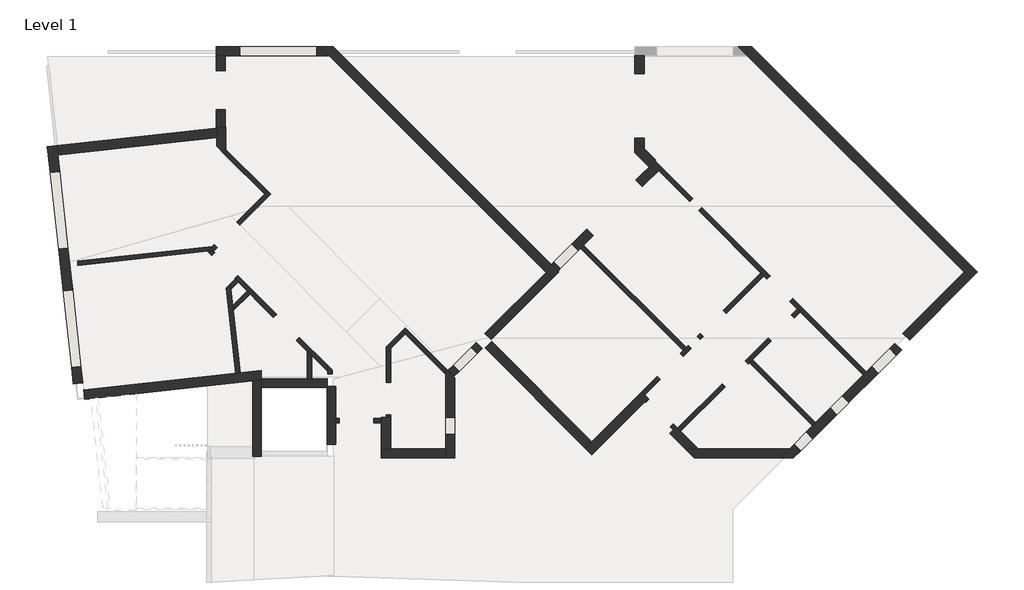
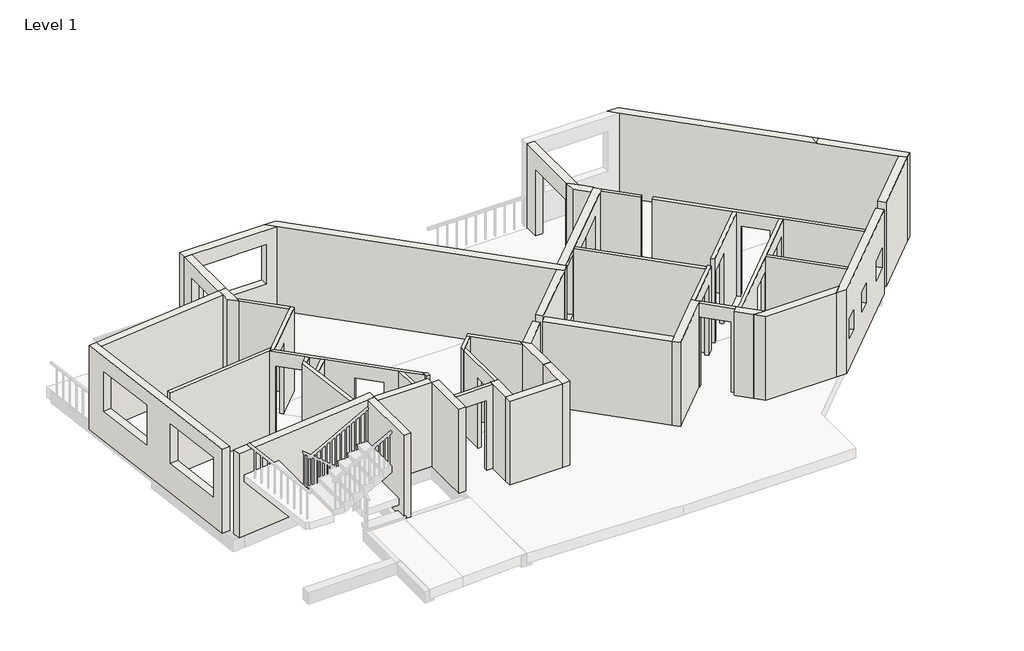
# One storey, part 1 of 3: 47 walls.
"""IFC4 building model written with IfcOpenShell, lengths in millimetres."""

from ifc_helpers import new_model, si_unit, frame, origin, place, context, project, spatial, polyline, outline, extrude, faceted_brep, element, save

model = new_model("IFC4")

# Units and contexts
model_context = context("Model", 3, world=origin())
ifc_project = project(units=[si_unit("LENGTHUNIT", "METRE", prefix="MILLI")], contexts=[model_context])

# Site, building, storey
site = spatial("IfcSite", under=ifc_project)
building = spatial("IfcBuilding", under=site)
storey = spatial("IfcBuildingStorey", under=building, Name="Level 1", Elevation=1400.0)

# Walls
placement = place(None, origin())
element("IfcWall", 1, ObjectType="Generic - 100mm 2", at=placement, inside=storey, context=model_context, shape_type="Brep", body=[
    faceted_brep([(9297.1083101, -7295.310753, 1400.0), (8344.8432612, -6343.045704, 1400.0), (8344.8432612, -6343.045704, 3950.0), (9297.1083101, -7295.310753, 3950.0), (9297.1083101, -7436.7321093, 1400.0), (9297.1083101, -7436.7321093, 3950.0), (8344.8432612, -6484.4670603, 3950.0), (8274.132583, -6413.7563821, 3950.0), (8274.132583, -6413.7563821, 1400.0), (8344.8432612, -6484.4670603, 1400.0)], [[[0, 1, 2, 3]], [[4, 5, 6, 7, 8, 9]], [[1, 0, 4, 9, 8]], [[3, 2, 7, 6, 5]], [[0, 3, 5, 4]], [[2, 1, 8, 7]]]),
])
element("IfcWall", 2, ObjectType="Generic - 100mm 2", at=placement, inside=storey, context=model_context, shape_type="Brep", body=[
    faceted_brep([(8274.132583, -6413.7563821, 1400.0), (7902.0578038, -6785.8311614, 1400.0), (7902.0578038, -6785.8311614, 3950.0), (8274.132583, -6413.7563821, 3950.0), (8344.8432612, -6484.4670603, 1400.0), (8344.8432612, -6484.4670603, 3950.0), (8002.0578038, -6827.2525176, 3950.0), (7902.0578038, -6927.2525176, 3950.0), (7902.0578038, -6927.2525176, 1400.0), (8002.0578038, -6827.2525176, 1400.0)], [[[0, 1, 2, 3]], [[4, 5, 6, 7, 8, 9]], [[1, 0, 4, 9, 8]], [[3, 2, 7, 6, 5]], [[0, 3, 5, 4]], [[2, 1, 8, 7]]]),
])
element("IfcWall", 3, ObjectType="Generic - 100mm 2", at=placement, inside=storey, context=model_context, shape_type="Brep", body=[
    faceted_brep([(7902.0578038, -8390.4135995, 3534.0), (7902.0578038, -8390.4135995, 1400.0), (7902.0578038, -8450.4135995, 1400.0), (7902.0578038, -8450.4135995, 3950.0), (7902.0578038, -6927.2525176, 3950.0), (7902.0578038, -6927.2525176, 1400.0), (7902.0578038, -7628.4135995, 1400.0), (7902.0578038, -7628.4135995, 3534.0), (8002.0578038, -8450.4135995, 1400.0), (8002.0578038, -8390.4135995, 1400.0), (8002.0578038, -8390.4135995, 3534.0), (8002.0578038, -7628.4135995, 3534.0), (8002.0578038, -7628.4135995, 1400.0), (8002.0578038, -6827.2525176, 1400.0), (8002.0578038, -6827.2525176, 3950.0), (8002.0578038, -8450.4135995, 3950.0)], [[[0, 1, 2, 3, 4, 5, 6, 7]], [[8, 9, 10, 11, 12, 13, 14, 15]], [[6, 5, 13, 12]], [[2, 1, 9, 8]], [[3, 2, 8, 15]], [[4, 3, 15, 14]], [[5, 4, 14, 13]], [[12, 11, 7, 6]], [[10, 9, 1, 0]], [[11, 10, 0, 7]]]),
])
element("IfcWall", 4, ObjectType="Generic - 100mm 2", at=placement, inside=storey, context=model_context, shape_type="Brep", body=[
    faceted_brep([(4463.6501436, -3919.476686, 3534.0), (4463.6501436, -3919.476686, 1400.0), (5184.8990604, -3198.2277691, 1400.0), (5184.8990604, -3198.2277691, 3950.0), (3862.5779702, -4520.5488594, 3950.0), (3862.5779702, -4520.5488594, 1400.0), (3924.8347764, -4458.2920532, 1400.0), (3924.8347764, -4458.2920532, 3534.0), (5114.1883823, -3127.517091, 1400.0), (5043.4777042, -3198.2277691, 1400.0), (4392.9394655, -3848.7660078, 1400.0), (4392.9394655, -3848.7660078, 3534.0), (3854.1240982, -4387.5813751, 3534.0), (3854.1240982, -4387.5813751, 1400.0), (3816.7212432, -4424.9842301, 1400.0), (3703.7066395, -4537.9988339, 1400.0), (3703.7066395, -4537.9988339, 3950.0), (3816.7212432, -4424.9842301, 3950.0), (5043.4777042, -3198.2277691, 3950.0), (5114.1883823, -3127.517091, 3950.0), (3824.4069755, -4524.7414527, 1400.0), (3824.4069755, -4524.7414527, 3950.0)], [[[0, 1, 2, 3, 4, 5, 6, 7]], [[8, 9, 10, 11, 12, 13, 14, 15, 16, 17, 18, 19]], [[6, 5, 20, 15, 14, 13]], [[2, 1, 10, 9, 8]], [[4, 3, 19, 18, 17, 16, 21]], [[3, 2, 8, 19]], [[5, 4, 21, 16, 15, 20]], [[13, 12, 7, 6]], [[11, 10, 1, 0]], [[12, 11, 0, 7]]]),
])
element("IfcWall", 5, ObjectType="Generic - 100mm 2", at=placement, inside=storey, context=model_context, shape_type="SweptSolid", body=[
    extrude(outline(polyline([(4135.2439393, -2148.572648), (5114.1883823, -3127.517091), (5043.4777042, -3198.2277691), (4135.2439393, -2289.9940042), (4135.2439393, -2148.572648)])), frame((0.0, 0.0, 1400.0), z_axis=(0.0, 0.0, 1.0), x_axis=(1.0, 0.0, 0.0)), (0.0, 0.0, 1.0), 2550.0),
])
element("IfcWall", 6, ObjectType="Generic - 100mm 2", at=placement, inside=storey, context=model_context, shape_type="Brep", body=[
    faceted_brep([(4464.964712, -7402.0054816, 1400.0), (4304.2548789, -5938.8408743, 1400.0), (4290.2588445, -5811.4155525, 1400.0), (4249.5399575, -5440.6950237, 1400.0), (4235.5439231, -5313.2697019, 1400.0), (4235.5439231, -5313.2697019, 3950.0), (4249.5399575, -5440.6950237, 3950.0), (4290.2588445, -5811.4155525, 3950.0), (4304.2548789, -5938.8408743, 3950.0), (4464.964712, -7402.0054816, 3950.0), (4365.5625184, -7412.9235354, 1400.0), (4365.5625184, -7412.9235354, 3950.0), (4144.8987312, -5403.9148938, 3950.0), (4144.8987312, -5403.9148938, 1400.0)], [[[0, 1, 2, 3, 4, 5, 6, 7, 8, 9]], [[10, 11, 12, 13]], [[4, 3, 2, 1, 0, 10, 13]], [[9, 8, 7, 6, 5, 12, 11]], [[0, 9, 11, 10]], [[5, 4, 13, 12]]]),
])
element("IfcWall", 7, ObjectType="Generic - 100mm 2", at=placement, inside=storey, context=model_context, shape_type="SweptSolid", body=[
    extrude(outline(polyline([(4424.2395739, -5265.9954073), (4249.5399575, -5440.6950237), (4235.5439231, -5313.2697019), (4353.5288957, -5195.2847292), (4424.2395739, -5265.9954073)])), frame((0.0, 0.0, 1400.0), z_axis=(0.0, 0.0, 1.0), x_axis=(1.0, 0.0, 0.0)), (0.0, 0.0, 1.0), 2550.0),
])
element("IfcWall", 8, ObjectType="Generic - 100mm 2", at=placement, inside=storey, context=model_context, shape_type="Brep", body=[
    faceted_brep([(4339.3867601, -5181.1425936, 1400.0), (4353.5288957, -5195.2847292, 1400.0), (4424.2395739, -5265.9954073, 1400.0), (4629.9592818, -5471.7151152, 1400.0), (4700.6699599, -5542.4257933, 1400.0), (5252.2132492, -6093.9690827, 1400.0), (5252.2132492, -6093.9690827, 3534.0), (5791.0286165, -6632.7844499, 3534.0), (5791.0286165, -6632.7844499, 1400.0), (6046.6810379, -6888.4368714, 1400.0), (6146.6810379, -6988.4368714, 1400.0), (6530.0027398, -7371.7585732, 1400.0), (6530.0027398, -7371.7585732, 3950.0), (6146.6810379, -6988.4368714, 3950.0), (6046.6810379, -6888.4368714, 3950.0), (4700.6699599, -5542.4257933, 3950.0), (4629.9592818, -5471.7151152, 3950.0), (4424.2395739, -5265.9954073, 3950.0), (4353.5288957, -5195.2847292, 3950.0), (3696.9816537, -4538.7374872, 3950.0), (3696.9816537, -4538.7374872, 1400.0), (3800.5713929, -4642.3272263, 1400.0), (3800.5713929, -4642.3272263, 3534.0), (4339.3867601, -5181.1425936, 3534.0), (5322.9239273, -6023.2584045, 3534.0), (5322.9239273, -6023.2584045, 1400.0), (4410.0974382, -5110.4319155, 1400.0), (4410.0974382, -5110.4319155, 3534.0), (3871.282071, -4571.6165482, 3534.0), (3871.282071, -4571.6165482, 1400.0), (3824.4069755, -4524.7414527, 1400.0), (3824.4069755, -4524.7414527, 3950.0), (6530.0027398, -7230.337217, 3950.0), (6530.0027398, -7230.337217, 1400.0), (5861.7392946, -6562.0737718, 1400.0), (5861.7392946, -6562.0737718, 3534.0), (3703.7066395, -4537.9988339, 1400.0), (3703.7066395, -4537.9988339, 3950.0)], [[[0, 1, 2, 3, 4, 5, 6, 7, 8, 9, 10, 11, 12, 13, 14, 15, 16, 17, 18, 19, 20, 21, 22, 23]], [[24, 25, 26, 27, 28, 29, 30, 31, 32, 33, 34, 35]], [[30, 29, 21, 20, 36]], [[34, 33, 11, 10, 9, 8]], [[26, 25, 5, 4, 3, 2, 1, 0]], [[19, 18, 17, 16, 15, 14, 13, 12, 32, 31, 37]], [[20, 19, 37, 31, 30, 36]], [[12, 11, 33, 32]], [[0, 23, 27, 26]], [[22, 21, 29, 28]], [[23, 22, 28, 27]], [[8, 7, 35, 34]], [[6, 5, 25, 24]], [[7, 6, 24, 35]]]),
])
element("IfcWall", 9, ObjectType="Generic - 100mm 2", at=placement, inside=storey, context=model_context, shape_type="SweptSolid", body=[
    extrude(outline(polyline([(4290.2588445, -5811.4155525), (4629.9592818, -5471.7151152), (4700.6699599, -5542.4257933), (4304.2548789, -5938.8408743), (4290.2588445, -5811.4155525)])), frame((0.0, 0.0, 1400.0), z_axis=(0.0, 0.0, 1.0), x_axis=(1.0, 0.0, 0.0)), (0.0, 0.0, 1.0), 2550.0),
])
element("IfcWall", 10, ObjectType="Generic - 100mm 2", at=placement, inside=storey, context=model_context, shape_type="SweptSolid", body=[
    extrude(outline(polyline([(6046.6810379, -7542.9559907), (6046.6810379, -6888.4368714), (6146.6810379, -6988.4368714), (6146.6810379, -7542.9559907), (6046.6810379, -7542.9559907)])), frame((0.0, 0.0, 1400.0), z_axis=(0.0, 0.0, 1.0), x_axis=(1.0, 0.0, 0.0)), (0.0, 0.0, 1.0), 2550.0),
])
element("IfcWall", 11, ObjectType="Generic - 100mm 2", at=placement, inside=storey, context=model_context, shape_type="SweptSolid", body=[
    extrude(outline(polyline([(14879.3413572, -6876.1729501), (12474.5704304, -4471.4020234), (12545.2811085, -4400.6913452), (14950.0520353, -6805.462272), (14879.3413572, -6876.1729501)])), frame((0.0, 0.0, 1400.0), z_axis=(0.0, 0.0, 1.0), x_axis=(1.0, 0.0, 0.0)), (0.0, 0.0, 1.0), 2550.0),
])
element("IfcWall", 12, ObjectType="Generic - 100mm 2", at=placement, inside=storey, context=model_context, shape_type="Brep", body=[
    faceted_brep([(13974.6049433, -7922.3307203, 1400.0), (14340.5259899, -7556.4096736, 1400.0), (14340.5259899, -7556.4096736, 3534.0), (14879.3413572, -7017.5943064, 3534.0), (14879.3413572, -7017.5943064, 1400.0), (15067.2951433, -6829.6405202, 1400.0), (15067.2951433, -6829.6405202, 3950.0), (13974.6049433, -7922.3307203, 3950.0), (14269.8153118, -7485.6989955, 3534.0), (14269.8153118, -7485.6989955, 1400.0), (13903.8942652, -7851.6200422, 1400.0), (13903.8942652, -7851.6200422, 3950.0), (14879.3413572, -6876.1729501, 3950.0), (14950.0520353, -6805.462272, 3950.0), (14996.5844652, -6758.9298421, 3950.0), (14996.5844652, -6758.9298421, 1400.0), (14950.0520353, -6805.462272, 1400.0), (14879.3413572, -6876.1729501, 1400.0), (14808.6306791, -6946.8836283, 1400.0), (14808.6306791, -6946.8836283, 3534.0)], [[[0, 1, 2, 3, 4, 5, 6, 7]], [[8, 9, 10, 11, 12, 13, 14, 15, 16, 17, 18, 19]], [[10, 9, 1, 0]], [[18, 17, 16, 15, 5, 4]], [[6, 5, 15, 14]], [[7, 6, 14, 13, 12, 11]], [[0, 7, 11, 10]], [[4, 3, 19, 18]], [[2, 1, 9, 8]], [[3, 2, 8, 19]]]),
])
element("IfcWall", 13, ObjectType="Generic - 100mm 2", at=placement, inside=storey, context=model_context, shape_type="SweptSolid", body=[
    extrude(outline(polyline([(-14.2607589, -2134.0), (-14.2607589, 0.0), (1245.297826, 0.0), (1245.297826, -2550.0), (-876.2607589, -2550.0), (-876.2607589, 0.0), (-776.2607588, 0.0), (-776.2607588, -2134.0), (-14.2607589, -2134.0)])), frame((15899.0372495, -5997.898414, 1400.0), z_axis=(-0.707106781186547, 0.707106781186548, 0.0), x_axis=(0.707106781186548, 0.707106781186547, 0.0)), (0.0, 0.0, 1.0), 100.0),
])
element("IfcWall", 14, ObjectType="Generic - 100mm 2", at=placement, inside=storey, context=model_context, shape_type="Brep", body=[
    faceted_brep([(19183.7588429, -7380.0815765, 1400.0), (17459.8325104, -5656.1552439, 1400.0), (17459.8325104, -5656.1552439, 3534.0), (16921.0171431, -5117.3398767, 3534.0), (16921.0171431, -5117.3398767, 1400.0), (15316.1907264, -3512.51346, 1400.0), (15316.1907264, -3512.51346, 3950.0), (19183.7588429, -7380.0815765, 3950.0), (17389.1218323, -5726.865922, 3534.0), (17389.1218323, -5726.865922, 1400.0), (17557.4132462, -5895.157336, 1400.0), (17628.1239243, -5965.8680141, 1400.0), (19113.0481648, -7450.7922546, 1400.0), (19113.0481648, -7450.7922546, 3950.0), (17628.1239243, -5965.8680141, 3950.0), (17557.4132462, -5895.157336, 3950.0), (16779.5957869, -5117.3398767, 3950.0), (16708.8851088, -5046.6291985, 3950.0), (15245.4800483, -3583.2241381, 3950.0), (15245.4800483, -3583.2241381, 1400.0), (16708.8851088, -5046.6291985, 1400.0), (16779.5957869, -5117.3398767, 1400.0), (16850.306465, -5188.0505548, 1400.0), (16850.306465, -5188.0505548, 3534.0)], [[[0, 1, 2, 3, 4, 5, 6, 7]], [[8, 9, 10, 11, 12, 13, 14, 15, 16, 17, 18, 19, 20, 21, 22, 23]], [[22, 21, 20, 19, 5, 4]], [[12, 11, 10, 9, 1, 0]], [[6, 5, 19, 18]], [[7, 6, 18, 17, 16, 15, 14, 13]], [[0, 7, 13, 12]], [[4, 3, 23, 22]], [[2, 1, 9, 8]], [[3, 2, 8, 23]]]),
])
element("IfcWall", 15, ObjectType="Generic - 100mm 2", at=placement, inside=storey, context=model_context, shape_type="SweptSolid", body=[
    extrude(outline(polyline([(14374.8248601, -2571.1475936), (15104.0585449, -3300.3812785), (15033.3478668, -3371.0919566), (14304.114182, -2641.8582718), (14374.8248601, -2571.1475936)])), frame((0.0, 0.0, 1400.0), z_axis=(0.0, 0.0, 1.0), x_axis=(1.0, 0.0, 0.0)), (0.0, 0.0, 1.0), 2550.0),
])
element("IfcWall", 16, ObjectType="Generic - 100mm 2", at=placement, inside=storey, context=model_context, shape_type="Brep", body=[
    faceted_brep([(657.088312, -4872.6307136, 1400.0), (3696.9816537, -4538.7374872, 1400.0), (3703.7066395, -4537.9988339, 1400.0), (3703.7066395, -4537.9988339, 3950.0), (3696.9816537, -4538.7374872, 3950.0), (657.088312, -4872.6307136, 3950.0), (646.1702582, -4773.22852, 1400.0), (646.1702582, -4773.22852, 3950.0), (3816.7212432, -4424.9842301, 3950.0), (3816.7212432, -4424.9842301, 1400.0)], [[[0, 1, 2, 3, 4, 5]], [[6, 7, 8, 9]], [[2, 1, 0, 6, 9]], [[5, 4, 3, 8, 7]], [[0, 5, 7, 6]], [[3, 2, 9, 8]]]),
])
element("IfcWall", 17, ObjectType="Generic - 100mm 2", at=placement, inside=storey, context=model_context, shape_type="Brep", body=[
    faceted_brep([(6630.0027398, -7423.5, 1400.0), (6630.0027398, -7330.337217, 1400.0), (6630.0027398, -7330.337217, 3950.0), (6630.0027398, -7423.5, 3950.0), (6530.0027398, -7423.5, 1400.0), (6530.0027398, -7423.5, 3950.0), (6530.0027398, -7371.7585732, 3950.0), (6530.0027398, -7230.337217, 3950.0), (6530.0027398, -7230.337217, 1400.0), (6530.0027398, -7371.7585732, 1400.0)], [[[0, 1, 2, 3]], [[4, 5, 6, 7, 8, 9]], [[1, 0, 4, 9, 8]], [[3, 2, 7, 6, 5]], [[0, 3, 5, 4]], [[2, 1, 8, 7]]]),
])
element("IfcWall", 18, ObjectType="Generic - 100mm 2", at=placement, inside=storey, context=model_context, shape_type="SweptSolid", body=[
    extrude(outline(polyline([(3534.0, 7609.2503828), (1400.0, 7609.2503828), (1400.0, 7782.6674864), (3950.0, 7782.6674864), (3950.0, 6716.2503828), (1400.0, 6716.2503828), (1400.0, 6796.2503828), (3534.0, 6796.2503828), (3534.0, 7609.2503828)])), frame((0.0, -8573.4565035, 0.0), z_axis=(0.0, 1.0, 0.0), x_axis=(0.0, 0.0, 1.0)), (0.0, 0.0, 1.0), 100.0),
])
element("IfcWall", 19, ObjectType="Generic - 100mm 2", at=placement, inside=storey, context=model_context, shape_type="SweptSolid", body=[
    extrude(outline(polyline([(-101.8555196, -2134.0), (-101.8555196, 0.0), (0.0, 0.0), (0.0, -2550.0), (-934.8555196, -2550.0), (-934.8555196, 0.0), (-914.8555196, 0.0), (-914.8555196, -2134.0), (-101.8555196, -2134.0)])), frame((14649.7897562, -8738.9368895, 1400.0), z_axis=(0.7071067811865492, 0.7071067811865459, 0.0), x_axis=(0.7071067811865459, -0.7071067811865492, 0.0)), (0.0, 0.0, 1.0), 100.0),
])
element("IfcWall", 20, ObjectType="Generic - 100mm 2", at=placement, inside=storey, context=model_context, shape_type="Brep", body=[
    faceted_brep([(16406.6920045, -7187.2999339, 3534.0), (16406.6920045, -7187.2999339, 1400.0), (16434.9762758, -7159.0156626, 1400.0), (16505.6869539, -7088.3049845, 1400.0), (16947.8872008, -6646.1047376, 1400.0), (16947.8872008, -6646.1047376, 3534.0), (17486.7025681, -6107.2893703, 3534.0), (17486.7025681, -6107.2893703, 1400.0), (17628.1239243, -5965.8680141, 1400.0), (17628.1239243, -5965.8680141, 3950.0), (16505.6869539, -7088.3049845, 3950.0), (16434.9762758, -7159.0156626, 3950.0), (14823.1330807, -8770.8588577, 3950.0), (14823.1330807, -8770.8588577, 1400.0), (15867.8766373, -7726.1153011, 1400.0), (15867.8766373, -7726.1153011, 3534.0), (16877.1765227, -6575.3940595, 1400.0), (16335.9813264, -7116.5892558, 1400.0), (16335.9813264, -7116.5892558, 3534.0), (15797.1659592, -7655.404623, 3534.0), (15797.1659592, -7655.404623, 1400.0), (14752.4224026, -8700.1481796, 1400.0), (14752.4224026, -8700.1481796, 3950.0), (17557.4132462, -5895.157336, 3950.0), (17557.4132462, -5895.157336, 1400.0), (17415.99189, -6036.5786922, 1400.0), (17415.99189, -6036.5786922, 3534.0), (16877.1765227, -6575.3940595, 3534.0)], [[[0, 1, 2, 3, 4, 5, 6, 7, 8, 9, 10, 11, 12, 13, 14, 15]], [[16, 17, 18, 19, 20, 21, 22, 23, 24, 25, 26, 27]], [[25, 24, 8, 7]], [[14, 13, 21, 20]], [[4, 3, 2, 1, 17, 16]], [[12, 11, 10, 9, 23, 22]], [[9, 8, 24, 23]], [[13, 12, 22, 21]], [[7, 6, 26, 25]], [[5, 4, 16, 27]], [[6, 5, 27, 26]], [[20, 19, 15, 14]], [[18, 17, 1, 0]], [[19, 18, 0, 15]]]),
])
element("IfcWall", 21, ObjectType="Generic - 100mm 2", at=placement, inside=storey, context=model_context, shape_type="SweptSolid", body=[
    extrude(outline(polyline([(16505.6869539, -7088.3049845), (17990.6111944, -8573.229225), (17919.9005163, -8643.9399031), (16434.9762758, -7159.0156626), (16505.6869539, -7088.3049845)])), frame((0.0, 0.0, 1400.0), z_axis=(0.0, 0.0, 1.0), x_axis=(1.0, 0.0, 0.0)), (0.0, 0.0, 1.0), 2550.0),
])
element("IfcWall", 22, ObjectType="Generic - 200mm", at=placement, inside=storey, context=model_context, shape_type="Brep", body=[
    faceted_brep([(4960.9372499, -9370.0060063, 1400.0), (4960.9372499, -7742.9559907, 1400.0), (4960.9372499, -7568.8523541, 1400.0), (4960.9372499, -7568.8523541, 3950.0), (4960.9372499, -7742.9559907, 3950.0), (4960.9372499, -9370.0060063, 3950.0), (4760.9372499, -9370.0060063, 1400.0), (4760.9372499, -9370.0060063, 3950.0), (4760.9372499, -7590.8197845, 3950.0), (4760.9372499, -7590.8197845, 1400.0)], [[[0, 1, 2, 3, 4, 5]], [[6, 7, 8, 9]], [[2, 1, 0, 6, 9]], [[5, 4, 3, 8, 7]], [[0, 5, 7, 6]], [[3, 2, 9, 8]]]),
])
element("IfcWall", 23, ObjectType="Generic - 200mm", at=placement, inside=storey, context=model_context, shape_type="Brep", body=[
    faceted_brep([(6716.2503828, -9083.5, 1400.0), (6716.2503828, -8573.4565035, 1400.0), (6716.2503828, -8473.4565035, 1400.0), (6716.2503828, -7723.5, 1400.0), (6716.2503828, -7723.5, 3950.0), (6716.2503828, -8473.4565035, 3950.0), (6716.2503828, -8573.4565035, 3950.0), (6716.2503828, -9083.5, 3950.0), (6516.2503828, -9083.5, 1400.0), (6516.2503828, -9083.5, 3950.0), (6516.2503828, -7723.5, 3950.0), (6516.2503828, -7723.5, 1400.0)], [[[0, 1, 2, 3, 4, 5, 6, 7]], [[8, 9, 10, 11]], [[3, 2, 1, 0, 8, 11]], [[4, 3, 11, 10]], [[7, 6, 5, 4, 10, 9]], [[0, 7, 9, 8]]]),
])
element("IfcWall", 24, ObjectType="Generic - 200mm", at=placement, inside=storey, context=model_context, shape_type="Brep", body=[
    faceted_brep([(4960.9372499, -7742.9559907, 1400.0), (6514.0, -7742.9559907, 1400.0), (6514.0, -7742.9559907, 3950.0), (4960.9372499, -7742.9559907, 3950.0), (4960.9372499, -7542.9559907, 1400.0), (4960.9372499, -7542.9559907, 3950.0), (6046.6810379, -7542.9559907, 3950.0), (6146.6810379, -7542.9559907, 3950.0), (6514.0, -7542.9559907, 3950.0), (6514.0, -7542.9559907, 1400.0), (6146.6810379, -7542.9559907, 1400.0), (6046.6810379, -7542.9559907, 1400.0), (4960.9372499, -7568.8523541, 1400.0), (4960.9372499, -7568.8523541, 3950.0)], [[[0, 1, 2, 3]], [[4, 5, 6, 7, 8, 9, 10, 11]], [[1, 0, 12, 4, 11, 10, 9]], [[2, 1, 9, 8]], [[3, 2, 8, 7, 6, 5, 13]], [[0, 3, 13, 5, 4, 12]]]),
])
element("IfcWall", 25, ObjectType="Generic - 200mm", at=placement, inside=storey, context=model_context, shape_type="SweptSolid", body=[
    extrude(outline(polyline([(10222.7440347, -6475.7410456), (11661.1982151, -5037.2868652), (11802.6195713, -5178.7082215), (10364.165391, -6617.1624018), (10222.7440347, -6475.7410456)])), frame((0.0, 0.0, 1400.0), z_axis=(0.0, 0.0, 1.0), x_axis=(1.0, 0.0, 0.0)), (0.0, 0.0, 1.0), 2550.0),
])
element("IfcWall", 26, ObjectType="Generic - 200mm", at=placement, inside=storey, context=model_context, shape_type="SweptSolid", body=[
    extrude(outline(polyline([(-18.1074714, 0.0), (920.0, 0.0), (920.0, -2550.0), (-18.1074714, -2550.0), (-18.1074714, 0.0)]), holes=[polyline([(160.0, -1500.0), (760.0, -1500.0), (760.0, -900.0), (160.0, -900.0), (160.0, -1500.0)])]), frame((9504.3665908, -7476.961202, 1400.0), z_axis=(-0.7071067811865476, 0.7071067811865476, 0.0), x_axis=(0.7071067811865476, 0.7071067811865476, 0.0)), (0.0, 0.0, 1.0), 200.0),
])
element("IfcWall", 27, ObjectType="Generic - 220mm 2", at=placement, inside=storey, context=model_context, shape_type="Brep", body=[
    faceted_brep([(21796.4725646, -5028.9973639, 1400.0), (16491.4752007, 276.0, 1400.0), (16491.4752007, 276.0, 3950.0), (20012.6158019, -3245.1406012, 3950.0), (20130.3660288, -3362.8908281, 3950.0), (21796.4725646, -5028.9973639, 3950.0), (21640.9090727, -5184.5608557, 1400.0), (21640.9090727, -5184.5608557, 3950.0), (21485.3455808, -5028.9973639, 3950.0), (20012.6158019, -3556.2675849, 3950.0), (19974.802537, -3518.45432, 3950.0), (16400.348217, 56.0, 3950.0), (16180.348217, 276.0, 3950.0), (16180.348217, 276.0, 1400.0), (16400.348217, 56.0, 1400.0), (21485.3455808, -5028.9973639, 1400.0), (20012.6158019, -3480.6410551, 3950.0)], [[[0, 1, 2, 3, 4, 5]], [[6, 7, 8, 9, 10, 11, 12, 13, 14, 15]], [[1, 0, 6, 15, 14, 13]], [[0, 5, 7, 6]], [[4, 3, 16]], [[10, 9, 16]], [[3, 2, 12, 11, 10, 16]], [[5, 4, 16, 9, 8, 7]], [[2, 1, 13, 12]]]),
])
element("IfcWall", 28, ObjectType="Generic - 220mm 2", at=placement, inside=storey, context=model_context, shape_type="Brep", body=[
    faceted_brep([(11958.1830632, -5023.1447296, 1400.0), (11940.5053937, -5005.4670601, 1400.0), (11784.9419018, -4849.9035682, 1400.0), (6659.0383336, 276.0, 1400.0), (6659.0383336, 276.0, 3950.0), (11784.9419018, -4849.9035682, 3950.0), (11940.5053937, -5005.4670601, 3950.0), (11958.1830632, -5023.1447296, 3950.0), (11802.6195713, -5178.7082215, 1400.0), (11802.6195713, -5178.7082215, 3950.0), (11661.1982151, -5037.2868652, 3950.0), (6567.9113499, 56.0, 3950.0), (6347.9113499, 276.0, 3950.0), (6347.9113499, 276.0, 1400.0), (6567.9113499, 56.0, 1400.0), (11661.1982151, -5037.2868652, 1400.0)], [[[0, 1, 2, 3, 4, 5, 6, 7]], [[8, 9, 10, 11, 12, 13, 14, 15]], [[3, 2, 1, 0, 8, 15, 14, 13]], [[7, 6, 5, 4, 12, 11, 10, 9]], [[0, 7, 9, 8]], [[4, 3, 13, 12]]]),
])
element("IfcWall", 29, ObjectType="Generic - 220mm 2", at=placement, inside=storey, context=model_context, shape_type="SweptSolid", body=[
    extrude(outline(polyline([(20045.6729669, -6468.6699778), (21485.3455808, -5028.9973639), (21640.9090727, -5184.5608557), (20201.2364588, -6624.2334697), (20045.6729669, -6468.6699778)])), frame((0.0, 0.0, 1400.0), z_axis=(0.0, 0.0, 1.0), x_axis=(1.0, 0.0, 0.0)), (0.0, 0.0, 1.0), 2550.0),
])
element("IfcWall", 30, ObjectType="Generic - 220mm 2", at=placement, inside=storey, context=model_context, shape_type="Brep", body=[
    faceted_brep([(19858.2638147, -6705.5766047, 1400.0), (19183.7588429, -7380.0815765, 1400.0), (19113.0481648, -7450.7922546, 1400.0), (17990.6111944, -8573.229225, 1400.0), (17919.9005163, -8643.9399031, 1400.0), (17380.3839159, -9183.4565035, 1400.0), (17160.3839159, -9403.4565035, 1400.0), (17160.3839159, -9403.4565035, 3950.0), (17380.3839159, -9183.4565035, 3950.0), (17919.9005163, -8643.9399031, 3950.0), (17990.6111944, -8573.229225, 3950.0), (19113.0481648, -7450.7922546, 3950.0), (19183.7588429, -7380.0815765, 3950.0), (19858.2638147, -6705.5766047, 3950.0), (19308.8792944, -7254.9611249, 2900.0), (19308.8792944, -7254.9611249, 2300.0), (19733.1433632, -6830.6970562, 2300.0), (19733.1433632, -6830.6970562, 2900.0), (17769.5452806, -8794.2951388, 2900.0), (17486.7025681, -9077.1378513, 2900.0), (17486.7025681, -9077.1378513, 2300.0), (17769.5452806, -8794.2951388, 2300.0), (18618.073418, -7945.7670014, 2900.0), (18335.2307055, -8228.6097139, 2900.0), (18335.2307055, -8228.6097139, 2300.0), (18618.073418, -7945.7670014, 2300.0), (20013.8273065, -6861.1400966, 1400.0), (20013.8273065, -6861.1400966, 3950.0), (17471.5108996, -9403.4565035, 3950.0), (17471.5108996, -9403.4565035, 1400.0), (19464.4427863, -7410.5246168, 2900.0), (19888.706855, -6986.2605481, 2900.0), (19888.706855, -6986.2605481, 2300.0), (19464.4427863, -7410.5246168, 2300.0), (17925.1087724, -8949.8586307, 2900.0), (17925.1087724, -8949.8586307, 2300.0), (17642.2660599, -9232.7013432, 2300.0), (17642.2660599, -9232.7013432, 2900.0), (18773.6369098, -8101.3304933, 2900.0), (18773.6369098, -8101.3304933, 2300.0), (18490.7941974, -8384.1732057, 2300.0), (18490.7941974, -8384.1732057, 2900.0)], [[[0, 1, 2, 3, 4, 5, 6, 7, 8, 9, 10, 11, 12, 13], [14, 15, 16, 17], [18, 19, 20, 21], [22, 23, 24, 25]], [[26, 27, 28, 29], [30, 31, 32, 33], [34, 35, 36, 37], [38, 39, 40, 41]], [[6, 5, 4, 3, 2, 1, 0, 26, 29]], [[13, 12, 11, 10, 9, 8, 7, 28, 27]], [[0, 13, 27, 26]], [[7, 6, 29, 28]], [[15, 14, 30, 33]], [[16, 15, 33, 32]], [[17, 16, 32, 31]], [[14, 17, 31, 30]], [[35, 34, 18, 21]], [[36, 35, 21, 20]], [[37, 36, 20, 19]], [[34, 37, 19, 18]], [[39, 38, 22, 25]], [[40, 39, 25, 24]], [[41, 40, 24, 23]], [[38, 41, 23, 22]]]),
])
element("IfcWall", 31, ObjectType="Generic - 220mm 2", at=placement, inside=storey, context=model_context, shape_type="Brep", body=[
    faceted_brep([(17380.3839159, -9183.4565035, 1400.0), (15235.7307265, -9183.4565035, 1400.0), (14924.6037428, -9183.4565035, 1400.0), (14924.6037428, -9183.4565035, 3950.0), (15235.7307265, -9183.4565035, 3950.0), (17380.3839159, -9183.4565035, 3950.0), (17160.3839159, -9403.4565035, 1400.0), (17160.3839159, -9403.4565035, 3950.0), (15144.6037428, -9403.4565035, 3950.0), (15144.6037428, -9403.4565035, 1400.0)], [[[0, 1, 2, 3, 4, 5]], [[6, 7, 8, 9]], [[2, 1, 0, 6, 9]], [[5, 4, 3, 8, 7]], [[0, 5, 7, 6]], [[3, 2, 9, 8]]]),
])
element("IfcWall", 32, ObjectType="Generic - 220mm 2", at=placement, inside=storey, context=model_context, shape_type="Brep", body=[
    faceted_brep([(15235.7307265, -9183.4565035, 1400.0), (14823.1330807, -8770.8588577, 1400.0), (14752.4224026, -8700.1481796, 1400.0), (14720.5004343, -8668.2262114, 1400.0), (14720.5004343, -8668.2262114, 3950.0), (14752.4224026, -8700.1481796, 3950.0), (14823.1330807, -8770.8588577, 3950.0), (15235.7307265, -9183.4565035, 3950.0), (14924.6037428, -9183.4565035, 1400.0), (14924.6037428, -9183.4565035, 3950.0), (14564.9369425, -8823.7897032, 3950.0), (14564.9369425, -8823.7897032, 1400.0), (14649.7897562, -8738.9368895, 1400.0), (14649.7897562, -8738.9368895, 3950.0)], [[[0, 1, 2, 3, 4, 5, 6, 7]], [[8, 9, 10, 11]], [[3, 2, 1, 0, 8, 11, 12]], [[4, 3, 12, 11, 10, 13]], [[7, 6, 5, 4, 13, 10, 9]], [[0, 7, 9, 8]]]),
])
element("IfcWall", 33, ObjectType="Generic - 220mm 2", at=placement, inside=storey, context=model_context, shape_type="Brep", body=[
    faceted_brep([(13903.8942652, -7851.6200422, 1400.0), (12736.8078102, -9018.7064971, 1400.0), (12581.2443183, -9174.269989, 1400.0), (12581.2443183, -9174.269989, 3950.0), (12736.8078102, -9018.7064971, 3950.0), (13903.8942652, -7851.6200422, 3950.0), (14059.457757, -8007.183534, 1400.0), (14059.457757, -8007.183534, 3950.0), (13988.7470789, -8077.8942121, 3950.0), (12736.8078102, -9329.8334809, 3950.0), (12736.8078102, -9329.8334809, 1400.0), (13988.7470789, -8077.8942121, 1400.0), (13974.6049433, -7922.3307203, 1400.0), (13974.6049433, -7922.3307203, 3950.0)], [[[0, 1, 2, 3, 4, 5]], [[6, 7, 8, 9, 10, 11]], [[2, 1, 0, 12, 6, 11, 10]], [[5, 4, 3, 9, 8, 7, 13]], [[0, 5, 13, 7, 6, 12]], [[3, 2, 10, 9]]]),
])
element("IfcWall", 34, ObjectType="Generic - 220mm 2", at=placement, inside=storey, context=model_context, shape_type="SweptSolid", body=[
    extrude(outline(polyline([(10380.3261693, -6662.2248563), (12736.8078102, -9018.7064971), (12581.2443183, -9174.269989), (10224.7626774, -6817.7883481), (10380.3261693, -6662.2248563)])), frame((0.0, 0.0, 1400.0), z_axis=(0.0, 0.0, 1.0), x_axis=(1.0, 0.0, 0.0)), (0.0, 0.0, 1.0), 2550.0),
])
element("IfcWall", 35, ObjectType="Generic - 220mm 2", at=placement, inside=storey, context=model_context, shape_type="Brep", body=[
    faceted_brep([(9297.1083101, -8450.4135995, 1400.0), (9297.1083101, -9183.4565035, 1400.0), (9297.1083101, -9403.4565035, 1400.0), (9297.1083101, -9403.4565035, 3950.0), (9297.1083101, -9183.4565035, 3950.0), (9297.1083101, -8450.4135995, 3950.0), (9297.1083101, -8450.4135995, 2900.0), (9297.1083101, -8843.4565035, 2900.0), (9297.1083101, -8843.4565035, 2300.0), (9297.1083101, -8450.4135995, 2300.0), (9517.1083101, -9403.4565035, 1400.0), (9517.1083101, -8450.4135995, 1400.0), (9517.1083101, -8450.4135995, 2300.0), (9517.1083101, -8843.4565035, 2300.0), (9517.1083101, -8843.4565035, 2900.0), (9517.1083101, -8450.4135995, 2900.0), (9517.1083101, -8450.4135995, 3950.0), (9517.1083101, -9403.4565035, 3950.0)], [[[0, 1, 2, 3, 4, 5, 6, 7, 8, 9]], [[10, 11, 12, 13, 14, 15, 16, 17]], [[2, 1, 0, 11, 10]], [[5, 4, 3, 17, 16]], [[5, 16, 15, 6]], [[11, 0, 9, 12]], [[3, 2, 10, 17]], [[8, 13, 12, 9]], [[13, 8, 7, 14]], [[14, 7, 6, 15]]]),
])
element("IfcWall", 36, ObjectType="Generic - 220mm 2", at=placement, inside=storey, context=model_context, shape_type="Brep", body=[
    faceted_brep([(9297.1083101, -9183.4565035, 1400.0), (8002.6674864, -9183.4565035, 1400.0), (7782.6674864, -9183.4565035, 1400.0), (7782.6674864, -9183.4565035, 3950.0), (8002.6674864, -9183.4565035, 3950.0), (9297.1083101, -9183.4565035, 3950.0), (9297.1083101, -9403.4565035, 1400.0), (9297.1083101, -9403.4565035, 3950.0), (7782.6674864, -9403.4565035, 3950.0), (7782.6674864, -9403.4565035, 1400.0)], [[[0, 1, 2, 3, 4, 5]], [[6, 7, 8, 9]], [[2, 1, 0, 6, 9]], [[5, 4, 3, 8, 7]], [[0, 5, 7, 6]], [[3, 2, 9, 8]]]),
])
element("IfcWall", 37, ObjectType="Generic - 220mm 2", at=placement, inside=storey, context=model_context, shape_type="Brep", body=[
    faceted_brep([(8002.6674864, -9183.4565035, 1400.0), (8002.6674864, -8450.4135995, 1400.0), (8002.6674864, -8450.4135995, 3950.0), (8002.6674864, -9183.4565035, 3950.0), (7782.6674864, -9183.4565035, 1400.0), (7782.6674864, -9183.4565035, 3950.0), (7782.6674864, -8573.4565035, 3950.0), (7782.6674864, -8473.4565035, 3950.0), (7782.6674864, -8450.4135995, 3950.0), (7782.6674864, -8450.4135995, 1400.0), (7782.6674864, -8473.4565035, 1400.0), (7782.6674864, -8573.4565035, 1400.0), (7902.0578038, -8450.4135995, 1400.0), (8002.0578038, -8450.4135995, 1400.0), (7902.0578038, -8450.4135995, 3950.0), (8002.0578038, -8450.4135995, 3950.0)], [[[0, 1, 2, 3]], [[4, 5, 6, 7, 8, 9, 10, 11]], [[1, 0, 4, 11, 10, 9, 12, 13]], [[2, 1, 13, 12, 9, 8, 14, 15]], [[3, 2, 15, 14, 8, 7, 6, 5]], [[0, 3, 5, 4]]]),
])
element("IfcWall", 38, ObjectType="Generic - 220mm 2", at=placement, inside=storey, context=model_context, shape_type="Brep", body=[
    faceted_brep([(816.2517548, -8024.092804, 1400.0), (4760.9372499, -7590.8197845, 1400.0), (4960.9372499, -7568.8523541, 1400.0), (4960.9372499, -7568.8523541, 3950.0), (4760.9372499, -7590.8197845, 3950.0), (816.2517548, -8024.092804, 3950.0), (792.2320364, -7805.407978, 1400.0), (792.2320364, -7805.407978, 3950.0), (4365.5625184, -7412.9235354, 3950.0), (4464.964712, -7402.0054816, 3950.0), (4960.9372499, -7347.5292707, 3950.0), (4960.9372499, -7347.5292707, 1400.0), (4464.964712, -7402.0054816, 1400.0), (4365.5625184, -7412.9235354, 1400.0), (4960.9372499, -7542.9559907, 1400.0), (4960.9372499, -7542.9559907, 3950.0)], [[[0, 1, 2, 3, 4, 5]], [[6, 7, 8, 9, 10, 11, 12, 13]], [[2, 1, 0, 6, 13, 12, 11, 14]], [[5, 4, 3, 15, 10, 9, 8, 7]], [[0, 5, 7, 6]], [[3, 2, 14, 11, 10, 15]]]),
])
element("IfcWall", 39, ObjectType="Generic - 220mm 2", at=placement, inside=storey, context=model_context, shape_type="Brep", body=[
    faceted_brep([(9517.1083101, -8450.4135995, 1400.0), (9517.1083101, -7515.310753, 1400.0), (9517.1083101, -7515.310753, 3950.0), (9517.1083101, -8450.4135995, 3950.0), (9517.1083101, -8450.4135995, 2900.0), (9517.1083101, -8443.4565035, 2900.0), (9517.1083101, -8443.4565035, 2300.0), (9517.1083101, -8450.4135995, 2300.0), (9297.1083101, -7295.310753, 1400.0), (9297.1083101, -7436.7321093, 1400.0), (9297.1083101, -8450.4135995, 1400.0), (9297.1083101, -8450.4135995, 2300.0), (9297.1083101, -8443.4565035, 2300.0), (9297.1083101, -8443.4565035, 2900.0), (9297.1083101, -8450.4135995, 2900.0), (9297.1083101, -8450.4135995, 3950.0), (9297.1083101, -7436.7321093, 3950.0), (9297.1083101, -7295.310753, 3950.0), (9350.1413187, -7348.3437616, 1400.0), (9491.562675, -7489.7651178, 1400.0), (9491.562675, -7489.7651178, 3950.0), (9350.1413187, -7348.3437616, 3950.0)], [[[0, 1, 2, 3, 4, 5, 6, 7]], [[8, 9, 10, 11, 12, 13, 14, 15, 16, 17]], [[1, 0, 10, 9, 8, 18, 19]], [[3, 2, 20, 21, 17, 16, 15]], [[3, 15, 14, 4]], [[10, 0, 7, 11]], [[2, 1, 19, 18, 8, 17, 21, 20]], [[5, 13, 12, 6]], [[6, 12, 11, 7]], [[13, 5, 4, 14]]]),
])
element("IfcWall", 40, ObjectType="Generic - 220mm 2", at=placement, inside=storey, context=model_context, shape_type="Brep", body=[
    faceted_brep([(3902.9313453, 56.0, 1400.0), (4122.9313453, 56.0, 1400.0), (6567.9113499, 56.0, 1400.0), (6567.9113499, 56.0, 3950.0), (4122.9313453, 56.0, 3950.0), (3902.9313453, 56.0, 3950.0), (4462.9313453, 56.0, 3500.0), (6262.9313453, 56.0, 3500.0), (6262.9313453, 56.0, 2300.0), (4462.9313453, 56.0, 2300.0), (6347.9113499, 276.0, 1400.0), (3902.9313453, 276.0, 1400.0), (3902.9313453, 276.0, 3950.0), (6347.9113499, 276.0, 3950.0), (4462.9313453, 276.0, 2300.0), (6262.9313453, 276.0, 2300.0), (6262.9313453, 276.0, 3500.0), (4462.9313453, 276.0, 3500.0)], [[[0, 1, 2, 3, 4, 5], [6, 7, 8, 9]], [[10, 11, 12, 13], [14, 15, 16, 17]], [[2, 1, 0, 11, 10]], [[5, 4, 3, 13, 12]], [[3, 2, 10, 13]], [[8, 7, 16, 15]], [[8, 15, 14, 9]], [[6, 17, 16, 7]], [[0, 5, 12, 11]], [[9, 14, 17, 6]]]),
])
element("IfcWall", 41, ObjectType="Generic - 220mm 2", at=placement, inside=storey, context=model_context, shape_type="Brep", body=[
    faceted_brep([(768.7985682, -7631.4852646, 1400.0), (180.3152321, -2273.7048929, 1400.0), (156.2955137, -2055.0200669, 1400.0), (156.2955137, -2055.0200669, 3950.0), (180.3152321, -2273.7048929, 3950.0), (768.7985682, -7631.4852646, 3950.0), (223.9874475, -2671.3136675, 3500.0), (223.9874475, -2671.3136675, 2300.0), (420.5124165, -4460.553153, 2300.0), (420.5124165, -4460.553153, 3500.0), (726.2179238, -7243.814575, 3500.0), (529.6929548, -5454.5750894, 3500.0), (529.6929548, -5454.5750894, 2300.0), (726.2179238, -7243.814575, 2300.0), (-62.3889897, -2079.0427228, 1400.0), (550.1137422, -7655.504983, 1400.0), (550.1137422, -7655.504983, 3950.0), (-62.3889897, -2079.0427228, 3950.0), (5.3026215, -2695.3333859, 2300.0), (5.3026215, -2695.3333859, 3500.0), (201.8275904, -4484.5728715, 3500.0), (201.8275904, -4484.5728715, 2300.0), (507.5330978, -7267.8342934, 2300.0), (311.0081288, -5478.5948079, 2300.0), (311.0081288, -5478.5948079, 3500.0), (507.5330978, -7267.8342934, 3500.0)], [[[0, 1, 2, 3, 4, 5], [6, 7, 8, 9], [10, 11, 12, 13]], [[14, 15, 16, 17], [18, 19, 20, 21], [22, 23, 24, 25]], [[2, 1, 0, 15, 14]], [[5, 4, 3, 17, 16]], [[0, 5, 16, 15]], [[3, 2, 14, 17]], [[7, 6, 19, 18]], [[7, 18, 21, 8]], [[19, 6, 9, 20]], [[8, 21, 20, 9]], [[12, 11, 24, 23]], [[12, 23, 22, 13]], [[10, 25, 24, 11]], [[25, 10, 13, 22]]]),
])
element("IfcWall", 42, ObjectType="Generic - 220mm 2", at=placement, inside=storey, context=model_context, shape_type="Brep", body=[
    faceted_brep([(180.3152321, -2273.7048929, 1400.0), (3915.2439393, -1863.4201872, 1400.0), (3915.2439393, -1863.4201872, 3950.0), (180.3152321, -2273.7048929, 3950.0), (156.2955137, -2055.0200669, 1400.0), (156.2955137, -2055.0200669, 3950.0), (3902.9313453, -1643.4493248, 3950.0), (3915.2439393, -1642.0967772, 3950.0), (3915.2439393, -1642.0967772, 1400.0), (3902.9313453, -1643.4493248, 1400.0)], [[[0, 1, 2, 3]], [[4, 5, 6, 7, 8, 9]], [[1, 0, 4, 9, 8]], [[3, 2, 7, 6, 5]], [[0, 3, 5, 4]], [[2, 1, 8, 7]]]),
])
element("IfcWall", 43, ObjectType="Generic - 220mm 2", at=placement, inside=storey, context=model_context, shape_type="Brep", body=[
    faceted_brep([(4135.2439393, -2289.9940042, 1400.0), (4135.2439393, -2148.572648, 1400.0), (4135.2439393, -1617.929613, 1400.0), (4135.2439393, -1617.929613, 3950.0), (4135.2439393, -2148.572648, 3950.0), (4135.2439393, -2289.9940042, 3950.0), (3915.2439393, -2069.9940042, 1400.0), (3915.2439393, -2069.9940042, 3950.0), (3915.2439393, -1863.4201872, 3950.0), (3915.2439393, -1642.0967772, 3950.0), (3915.2439393, -1642.0967772, 1400.0), (3915.2439393, -1863.4201872, 1400.0), (4122.9313453, -1619.2821606, 1400.0), (4122.9313453, -1619.2821606, 3950.0)], [[[0, 1, 2, 3, 4, 5]], [[6, 7, 8, 9, 10, 11]], [[2, 1, 0, 6, 11, 10, 12]], [[5, 4, 3, 13, 9, 8, 7]], [[3, 2, 12, 10, 9, 13]], [[0, 5, 7, 6]]]),
])
element("IfcWall", 44, ObjectType="Generic - 220mm 2", at=placement, inside=storey, context=model_context, shape_type="Brep", body=[
    faceted_brep([(14374.8248601, -2571.1475936, 3950.0), (14304.114182, -2641.8582718, 3950.0), (11940.5053937, -5005.4670601, 3950.0), (11940.5053937, -5005.4670601, 1400.0), (12771.5552785, -4174.4171753, 1400.0), (12771.5552785, -4174.4171753, 3534.0), (13921.3109047, -3024.661549, 3534.0), (13921.3109047, -3024.661549, 1400.0), (14304.114182, -2641.8582718, 1400.0), (14374.8248601, -2571.1475936, 1400.0), (12419.6699464, -4526.3025074, 3800.0), (12419.6699464, -4526.3025074, 2000.0), (11995.4058777, -4950.5665761, 2000.0), (11995.4058777, -4950.5665761, 3800.0), (11784.9419018, -4849.9035682, 3950.0), (14078.2737647, -2556.5717053, 3950.0), (14219.2613682, -2415.5841018, 3950.0), (14219.2613682, -2415.5841018, 1400.0), (14078.2737647, -2556.5717053, 1400.0), (13765.7474128, -2869.0980572, 1400.0), (13765.7474128, -2869.0980572, 3534.0), (12615.9917866, -4018.8536834, 3534.0), (12615.9917866, -4018.8536834, 1400.0), (11784.9419018, -4849.9035682, 1400.0), (12264.1064545, -4370.7390155, 3800.0), (11839.8423858, -4795.0030842, 3800.0), (11839.8423858, -4795.0030842, 2000.0), (12264.1064545, -4370.7390155, 2000.0)], [[[0, 1, 2, 3, 4, 5, 6, 7, 8, 9], [10, 11, 12, 13]], [[14, 15, 16, 17, 18, 19, 20, 21, 22, 23], [24, 25, 26, 27]], [[17, 9, 8, 7, 19, 18]], [[3, 23, 22, 4]], [[2, 1, 0, 16, 15, 14]], [[0, 9, 17, 16]], [[3, 2, 14, 23]], [[7, 6, 20, 19]], [[5, 21, 20, 6]], [[21, 5, 4, 22]], [[11, 10, 24, 27]], [[12, 11, 27, 26]], [[13, 12, 26, 25]], [[10, 13, 25, 24]]]),
])
element("IfcWall", 45, ObjectType="Generic - 220mm 2", at=placement, inside=storey, context=model_context, shape_type="Brep", body=[
    faceted_brep([(14233.8372566, -2401.0082134, 1400.0), (13961.4481384, -2128.6190952, 1400.0), (13741.4481384, -1908.6190952, 1400.0), (13741.4481384, -1908.6190952, 3950.0), (13961.4481384, -2128.6190952, 3950.0), (14233.8372566, -2401.0082134, 3950.0), (14078.2737647, -2556.5717053, 1400.0), (14078.2737647, -2556.5717053, 3950.0), (13741.4481384, -2219.7460789, 3950.0), (13741.4481384, -2219.7460789, 1400.0), (14219.2613682, -2415.5841018, 1400.0), (14219.2613682, -2415.5841018, 3950.0)], [[[0, 1, 2, 3, 4, 5]], [[6, 7, 8, 9]], [[2, 1, 0, 10, 6, 9]], [[5, 4, 3, 8, 7, 11]], [[0, 5, 11, 7, 6, 10]], [[3, 2, 9, 8]]]),
])
element("IfcWall", 46, ObjectType="Generic - 220mm 2", at=placement, inside=storey, context=model_context, shape_type="Brep", body=[
    faceted_brep([(13741.4481384, -1908.6190952, 3950.0), (13741.4481384, 56.0, 3950.0), (13741.4481384, 56.0, 1400.0), (13741.4481384, -358.5, 1400.0), (13741.4481384, -358.5, 3432.0), (13741.4481384, -1882.5, 3432.0), (13741.4481384, -1882.5, 1400.0), (13741.4481384, -1908.6190952, 1400.0), (13961.4481384, 56.0, 3950.0), (13961.4481384, -2128.6190952, 3950.0), (13961.4481384, -2128.6190952, 1400.0), (13961.4481384, -1882.5, 1400.0), (13961.4481384, -1882.5, 3432.0), (13961.4481384, -358.5, 3432.0), (13961.4481384, -358.5, 1400.0), (13961.4481384, 56.0, 1400.0)], [[[0, 1, 2, 3, 4, 5, 6, 7]], [[8, 9, 10, 11, 12, 13, 14, 15]], [[10, 7, 6, 11]], [[2, 15, 14, 3]], [[1, 0, 9, 8]], [[0, 7, 10, 9]], [[2, 1, 8, 15]], [[4, 3, 14, 13]], [[4, 13, 12, 5]], [[5, 12, 11, 6]]]),
])
element("IfcWall", 47, ObjectType="Generic - 220mm 2", at=placement, inside=storey, context=model_context, shape_type="Brep", body=[
    faceted_brep([(4122.9313453, -294.0, 3534.0), (4122.9313453, -294.0, 1400.0), (4122.9313453, 56.0, 1400.0), (4122.9313453, 56.0, 3950.0), (4122.9313453, -1619.2821606, 3950.0), (4122.9313453, -1619.2821606, 1400.0), (4122.9313453, -1209.0, 1400.0), (4122.9313453, -1209.0, 3534.0), (3902.9313453, 56.0, 1400.0), (3902.9313453, -294.0, 1400.0), (3902.9313453, -294.0, 3534.0), (3902.9313453, -1209.0, 3534.0), (3902.9313453, -1209.0, 1400.0), (3902.9313453, -1643.4493248, 1400.0), (3902.9313453, -1643.4493248, 3950.0), (3902.9313453, 56.0, 3950.0), (3915.2439393, -1642.0967772, 1400.0), (3915.2439393, -1642.0967772, 3950.0)], [[[0, 1, 2, 3, 4, 5, 6, 7]], [[8, 9, 10, 11, 12, 13, 14, 15]], [[6, 5, 16, 13, 12]], [[2, 1, 9, 8]], [[4, 3, 15, 14, 17]], [[5, 4, 17, 14, 13, 16]], [[3, 2, 8, 15]], [[12, 11, 7, 6]], [[10, 9, 1, 0]], [[11, 10, 0, 7]]]),
])

save(model, "model.ifc")
